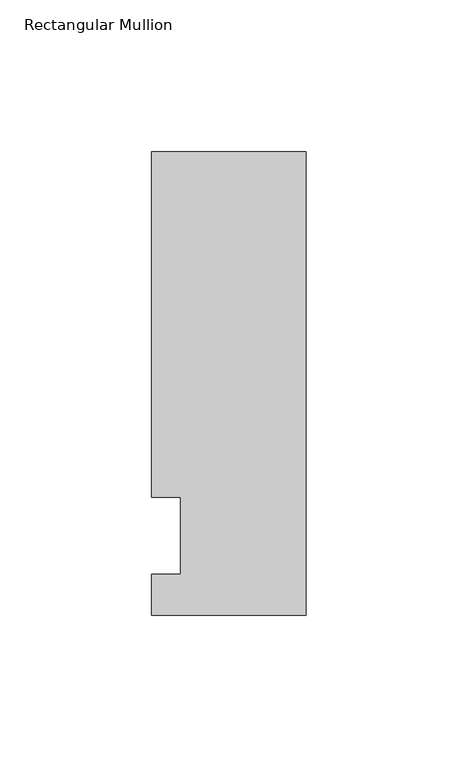
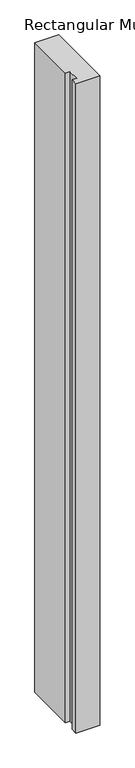
"""IFC4 building model written with IfcOpenShell, lengths in millimetres: member geometry, Rectangular Mullion."""

from ifc_helpers import new_model, si_unit, frame, origin, place, context, project, spatial, polyline, outline, extrude, source, transform, mapped, element, save


def rectangular_mullion_622d423f(model_context):
    return source(origin(), model_context, "Body", "SweptSolid", [
        extrude(outline(polyline([(0.0, -26.19375), (-50.8, -26.19375), (-50.8, -12.7), (-41.275, -12.7), (-41.275, 12.7), (-50.8, 12.7), (-50.8, 126.20625), (0.0, 126.20625), (0.0, -26.19375)])), frame((0.0, 0.0, -1473.2), z_axis=(0.0, 0.0, 1.0), x_axis=(1.0, 0.0, 0.0)), (0.0, 0.0, 1.0), 1473.2),
    ])


if __name__ == "__main__":
    model = new_model("IFC4")
    model_context = context("Model", 3, world=origin())
    ifc_project = project(units=[si_unit("LENGTHUNIT", "METRE", prefix="MILLI")], contexts=[model_context])
    site = spatial("IfcSite", under=ifc_project)
    building = spatial("IfcBuilding", under=site)
    placement = place(None, origin())
    rectangular_mullion_shape = rectangular_mullion_622d423f(model_context)
    element("IfcMember", 1, ObjectType="Rectangular Mullion", at=placement, inside=building, context=model_context, shape_type="MappedRepresentation", body=[
        mapped(rectangular_mullion_shape, transform((0.0, 0.0, 0.0), x_axis=(1.0, 0.0, 0.0), y_axis=(0.0, 1.0, 0.0), z_axis=(0.0, 0.0, 1.0))),
    ])
    save(model, "model.ifc")
